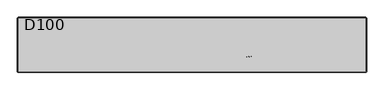
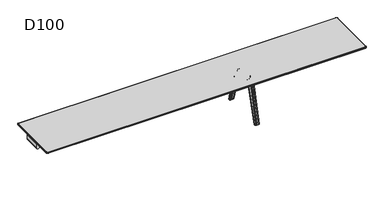
"""IFC4 building model written with IfcOpenShell, lengths in millimetres: furniture geometry, D100."""

from ifc_helpers import new_model, si_unit, point, frame, frame_2d, origin, place, context, project, spatial, polyline, circle_curve, ellipse_curve, trimmed, segment, composite_curve, outline, extrude, source, transform, mapped, element, save
from ifc_brep_helpers import plane_surface, cylinder_surface, revolved_surface, advanced_brep


def d100_4d815a20(model_context):
    return source(origin(), model_context, "Body", "SolidModel", [
        extrude(outline(composite_curve([segment(trimmed(circle_curve(frame_2d((791.0006338, 1040.0)), 15.0), [point((791.0006338, 1025.0))], [point((776.0006338, 1040.0))], False, "CARTESIAN"), True, "CONTINUOUS"), segment(polyline([(776.0006338, 1040.0), (776.0006338, 1055.0)]), True, "CONTINUOUS"), segment(trimmed(circle_curve(frame_2d((791.0006338, 1055.0)), 15.0), [point((776.0006338, 1055.0))], [point((791.0006338, 1070.0))], False, "CARTESIAN"), True, "CONTINUOUS"), segment(polyline([(791.0006338, 1070.0), (880.0006338, 1070.0), (880.0006338, 1025.0), (791.0006338, 1025.0)]), True, "CONTINUOUS")], self_intersect=False)), frame((0.0, -159.2234902, 0.0), z_axis=(0.0, 1.0, 0.0), x_axis=(0.0, 0.0, 1.0)), (0.0, 0.0, 1.0), 318.4469804),
        extrude(outline(composite_curve([segment(polyline([(791.0006338, 1025.0), (880.0006338, 1025.0), (880.0006338, 980.0), (791.0006338, 980.0)]), True, "CONTINUOUS"), segment(trimmed(circle_curve(frame_2d((791.0006338, 995.0)), 15.0), [point((791.0006338, 980.0))], [point((776.0006338, 995.0))], False, "CARTESIAN"), True, "CONTINUOUS"), segment(polyline([(776.0006338, 995.0), (776.0006338, 1010.0)]), True, "CONTINUOUS"), segment(trimmed(circle_curve(frame_2d((791.0006338, 1010.0)), 15.0), [point((776.0006338, 1010.0))], [point((791.0006338, 1025.0))], False, "CARTESIAN"), True, "CONTINUOUS")], self_intersect=False)), frame((0.0, -159.2234902, 0.0), z_axis=(0.0, 1.0, 0.0), x_axis=(0.0, 0.0, 1.0)), (0.0, 0.0, 1.0), 318.4469804),
        extrude(outline(composite_curve([segment(polyline([(791.0006338, 3149.0), (880.0006338, 3149.0), (880.0006338, 3104.0), (791.0006338, 3104.0)]), True, "CONTINUOUS"), segment(trimmed(circle_curve(frame_2d((791.0006338, 3119.0)), 15.0), [point((791.0006338, 3104.0))], [point((776.0006338, 3119.0))], False, "CARTESIAN"), True, "CONTINUOUS"), segment(polyline([(776.0006338, 3119.0), (776.0006338, 3134.0)]), True, "CONTINUOUS"), segment(trimmed(circle_curve(frame_2d((791.0006338, 3134.0)), 15.0), [point((776.0006338, 3134.0))], [point((791.0006338, 3149.0))], False, "CARTESIAN"), True, "CONTINUOUS")], self_intersect=False)), frame((0.0, -159.2234902, 0.0), z_axis=(0.0, 1.0, 0.0), x_axis=(0.0, 0.0, 1.0)), (0.0, 0.0, 1.0), 318.4469804),
        extrude(outline(composite_curve([segment(polyline([(791.0006338, -1025.0), (880.0006338, -1025.0), (880.0006338, -1070.0), (791.0006338, -1070.0)]), True, "CONTINUOUS"), segment(trimmed(circle_curve(frame_2d((791.0006338, -1055.0)), 15.0), [point((791.0006338, -1070.0))], [point((776.0006338, -1055.0))], False, "CARTESIAN"), True, "CONTINUOUS"), segment(polyline([(776.0006338, -1055.0), (776.0006338, -1040.0)]), True, "CONTINUOUS"), segment(trimmed(circle_curve(frame_2d((791.0006338, -1040.0)), 15.0), [point((776.0006338, -1040.0))], [point((791.0006338, -1025.0))], False, "CARTESIAN"), True, "CONTINUOUS")], self_intersect=False)), frame((0.0, -159.2234902, 0.0), z_axis=(0.0, 1.0, 0.0), x_axis=(0.0, 0.0, 1.0)), (0.0, 0.0, 1.0), 318.4469804),
        extrude(outline(composite_curve([segment(trimmed(circle_curve(frame_2d((791.0006338, -1010.0)), 15.0), [point((791.0006338, -1025.0))], [point((776.0006338, -1010.0))], False, "CARTESIAN"), True, "CONTINUOUS"), segment(polyline([(776.0006338, -1010.0), (776.0006338, -995.0)]), True, "CONTINUOUS"), segment(trimmed(circle_curve(frame_2d((791.0006338, -995.0)), 15.0), [point((776.0006338, -995.0))], [point((791.0006338, -980.0))], False, "CARTESIAN"), True, "CONTINUOUS"), segment(polyline([(791.0006338, -980.0), (880.0006338, -980.0), (880.0006338, -1025.0), (791.0006338, -1025.0)]), True, "CONTINUOUS")], self_intersect=False)), frame((0.0, -159.2234902, 0.0), z_axis=(0.0, 1.0, 0.0), x_axis=(0.0, 0.0, 1.0)), (0.0, 0.0, 1.0), 318.4469804),
        extrude(outline(composite_curve([segment(trimmed(circle_curve(frame_2d((791.0006338, -3134.0)), 15.0), [point((791.0006338, -3149.0))], [point((776.0006338, -3134.0))], False, "CARTESIAN"), True, "CONTINUOUS"), segment(polyline([(776.0006338, -3134.0), (776.0006338, -3119.0)]), True, "CONTINUOUS"), segment(trimmed(circle_curve(frame_2d((791.0006338, -3119.0)), 15.0), [point((776.0006338, -3119.0))], [point((791.0006338, -3104.0))], False, "CARTESIAN"), True, "CONTINUOUS"), segment(polyline([(791.0006338, -3104.0), (880.0006338, -3104.0), (880.0006338, -3149.0), (791.0006338, -3149.0)]), True, "CONTINUOUS")], self_intersect=False)), frame((0.0, -159.2234902, 0.0), z_axis=(0.0, 1.0, 0.0), x_axis=(0.0, 0.0, 1.0)), (0.0, 0.0, 1.0), 318.4469804),
        advanced_brep(
        [(-3132.0, 495.0, 912.0006338), (-3145.0, 482.0, 912.0006338), (-3145.0, -482.0, 912.0006338), (-3132.0, -495.0, 912.0006338), (3132.0, -495.0, 912.0006338), (3145.0, -482.0, 912.0006338), (3145.0, 482.0, 912.0006338), (3132.0, 495.0, 912.0006338), (-3145.0, 482.0, 886.0006338), (-3132.0, 495.0, 886.0006338), (3132.0, 495.0, 886.0006338), (3145.0, 482.0, 886.0006338), (3145.0, -482.0, 886.0006338), (3132.0, -495.0, 886.0006338), (-3132.0, -495.0, 886.0006338), (-3145.0, -482.0, 886.0006338), (-3150.0, 482.0, 907.0006396), (-3150.0, 482.0, 891.0006338), (-3150.0, -482.0, 891.0006338), (-3150.0, -482.0, 907.0006338), (-3132.0, -500.0, 891.0006338), (-3132.0, -500.0, 907.0006389), (3132.0, -500.0, 891.0006338), (3132.0, -500.0, 907.0006338), (3150.0, -482.0, 891.0006338), (3150.0, -482.0, 907.0006378), (3150.0, 482.0, 891.0006338), (3150.0, 482.0, 907.0006338), (-3132.0, 500.0, 891.0006338), (-3132.0, 500.0, 907.0006338), (3132.0, 500.0, 891.0006338), (3132.0, 500.0, 907.0006338)],
        [
            (0, 1, circle_curve(frame((-3132.0, 482.0, 912.0006338), z_axis=(0.0, 0.0, 1.0), x_axis=(0.0, 1.0, 0.0)), 13.0)),
            (1, 2),
            (2, 3, circle_curve(frame((-3132.0, -482.0, 912.0006338), z_axis=(0.0, 0.0, 1.0), x_axis=(-1.0, 0.0, 0.0)), 13.0)),
            (3, 4),
            (4, 5, circle_curve(frame((3132.0, -482.0, 912.0006338), z_axis=(0.0, 0.0, 1.0), x_axis=(0.0, -1.0, 0.0)), 13.0)),
            (5, 6),
            (6, 7, circle_curve(frame((3132.0, 482.0, 912.0006338), z_axis=(0.0, 0.0, 1.0), x_axis=(1.0, 0.0, 0.0)), 13.0)),
            (7, 0),
            (8, 9, circle_curve(frame((-3132.0, 482.0, 886.0006338), z_axis=(0.0, 0.0, -1.0), x_axis=(0.0, 1.0, 0.0)), 13.0)),
            (9, 10),
            (10, 11, circle_curve(frame((3132.0, 482.0, 886.0006338), z_axis=(0.0, 0.0, -1.0), x_axis=(1.0, 0.0, 0.0)), 13.0)),
            (11, 12),
            (12, 13, circle_curve(frame((3132.0, -482.0, 886.0006338), z_axis=(0.0, 0.0, -1.0), x_axis=(0.0, -1.0, 0.0)), 13.0)),
            (13, 14),
            (14, 15, circle_curve(frame((-3132.0, -482.0, 886.0006338), z_axis=(0.0, 0.0, -1.0), x_axis=(-1.0, 0.0, 0.0)), 13.0)),
            (15, 8),
            (16, 17),
            (17, 18),
            (18, 19),
            (19, 16),
            (18, 20, circle_curve(frame((-3132.0, -482.0, 891.0006338), z_axis=(0.0, 0.0, 1.0), x_axis=(1.0, 0.0, 0.0)), 18.0)),
            (20, 21),
            (21, 19, circle_curve(frame((-3132.0, -482.0, 907.0006338), z_axis=(0.0, 0.0, -1.0), x_axis=(1.0, 0.0, 0.0)), 18.0)),
            (20, 22),
            (22, 23),
            (23, 21),
            (22, 24, circle_curve(frame((3132.0, -482.0, 891.0006338), z_axis=(0.0, 0.0, 1.0), x_axis=(1.0, 0.0, 0.0)), 18.0)),
            (24, 25),
            (25, 23, circle_curve(frame((3132.0, -482.0, 907.0006338), z_axis=(0.0, 0.0, -1.0), x_axis=(1.0, 0.0, 0.0)), 18.0)),
            (24, 26),
            (26, 27),
            (27, 25),
            (8, 17, circle_curve(frame((-3145.0, 482.0, 891.0006338), z_axis=(0.0, 1.0, 0.0), x_axis=(1.0, 0.0, 0.0)), 5.0)),
            (17, 28, circle_curve(frame((-3132.0, 482.0, 891.0006338), z_axis=(0.0, 0.0, -1.0), x_axis=(0.0, 1.0, 0.0)), 18.0)),
            (28, 9, circle_curve(frame((-3132.0, 495.0, 891.0006338), z_axis=(-1.0, 0.0, 0.0), x_axis=(0.0, -1.0, 0.0)), 5.0)),
            (16, 1, circle_curve(frame((-3145.0, 482.0, 907.0006338), z_axis=(0.0, 1.0, 0.0), x_axis=(1.0, 0.0, 0.0)), 5.0)),
            (0, 29, circle_curve(frame((-3132.0, 495.0, 907.0006338), z_axis=(-1.0, 0.0, 0.0), x_axis=(0.0, -1.0, 0.0)), 5.0)),
            (29, 16, circle_curve(frame((-3132.0, 482.0, 907.0006338), z_axis=(0.0, 0.0, 1.0), x_axis=(0.0, 1.0, 0.0)), 18.0)),
            (15, 18, circle_curve(frame((-3145.0, -482.0, 891.0006338), z_axis=(0.0, 1.0, 0.0), x_axis=(1.0, 0.0, 0.0)), 5.0)),
            (19, 2, circle_curve(frame((-3145.0, -482.0, 907.0006338), z_axis=(0.0, 1.0, 0.0), x_axis=(1.0, 0.0, 0.0)), 5.0)),
            (14, 20, circle_curve(frame((-3132.0, -495.0, 891.0006338), z_axis=(-1.0, 0.0, 0.0), x_axis=(0.0, 1.0, 0.0)), 5.0)),
            (21, 3, circle_curve(frame((-3132.0, -495.0, 907.0006338), z_axis=(-1.0, 0.0, 0.0), x_axis=(0.0, 1.0, 0.0)), 5.0)),
            (13, 22, circle_curve(frame((3132.0, -495.0, 891.0006338), z_axis=(-1.0, 0.0, 0.0), x_axis=(0.0, 1.0, 0.0)), 5.0)),
            (23, 4, circle_curve(frame((3132.0, -495.0, 907.0006338), z_axis=(-1.0, 0.0, 0.0), x_axis=(0.0, 1.0, 0.0)), 5.0)),
            (12, 24, circle_curve(frame((3145.0, -482.0, 891.0006338), z_axis=(0.0, -1.0, 0.0), x_axis=(-1.0, 0.0, 0.0)), 5.0)),
            (25, 5, circle_curve(frame((3145.0, -482.0, 907.0006338), z_axis=(0.0, -1.0, 0.0), x_axis=(-1.0, 0.0, 0.0)), 5.0)),
            (11, 26, circle_curve(frame((3145.0, 482.0, 891.0006338), z_axis=(0.0, -1.0, 0.0), x_axis=(-1.0, 0.0, 0.0)), 5.0)),
            (27, 6, circle_curve(frame((3145.0, 482.0, 907.0006338), z_axis=(0.0, -1.0, 0.0), x_axis=(-1.0, 0.0, 0.0)), 5.0)),
            (10, 30, circle_curve(frame((3132.0, 495.0, 891.0006338), z_axis=(1.0, 0.0, 0.0), x_axis=(0.0, -1.0, 0.0)), 5.0)),
            (30, 26, circle_curve(frame((3132.0, 482.0, 891.0006338), z_axis=(0.0, 0.0, -1.0), x_axis=(1.0, 0.0, 0.0)), 18.0)),
            (27, 31, circle_curve(frame((3132.0, 482.0, 907.0006338), z_axis=(0.0, 0.0, 1.0), x_axis=(1.0, 0.0, 0.0)), 18.0)),
            (31, 7, circle_curve(frame((3132.0, 495.0, 907.0006338), z_axis=(1.0, 0.0, 0.0), x_axis=(0.0, -1.0, 0.0)), 5.0)),
            (28, 30),
            (31, 29),
            (30, 31),
            (28, 29),
        ],
        [
            plane_surface(frame((-3150.0, -482.0, 912.0006338), z_axis=(0.0, 0.0, 1.0), x_axis=(0.0, -1.0, 0.0))),
            plane_surface(frame((-3150.0, -482.0, 886.0006338), z_axis=(0.0, 0.0, -1.0), x_axis=(0.0, 1.0, 0.0))),
            plane_surface(frame((-3150.0, 482.0, 912.0006338), z_axis=(-1.0, 0.0, 0.0), x_axis=(0.0, 0.0, -1.0))),
            cylinder_surface(frame((-3132.0, -482.0, 886.0006338), z_axis=(0.0, 0.0, 1.0), x_axis=(1.0, 0.0, 0.0)), 18.0),
            plane_surface(frame((-3132.0, -500.0, 912.0006338), z_axis=(0.0, -1.0, 0.0), x_axis=(0.0, 0.0, -1.0))),
            cylinder_surface(frame((3132.0, -482.0, 886.0006338), z_axis=(0.0, 0.0, 1.0), x_axis=(1.0, 0.0, 0.0)), 18.0),
            plane_surface(frame((3150.0, -482.0, 912.0006338), z_axis=(1.0, 0.0, 0.0), x_axis=(0.0, 0.0, -1.0))),
            revolved_surface(trimmed(ellipse_curve(frame((-3132.0, 495.0, 891.0006338), z_axis=(1.0, 0.0, 0.0), x_axis=(0.0, -1.0, 0.0)), 5.0, 5.0), [point((-3132.0, 495.0, 886.0006338))], [point((-3132.0, 500.0, 891.0006338))], True, "CARTESIAN"), (-3132.0, 482.0, 0.0006338), (0.0, 0.0, 1.0)),
            revolved_surface(trimmed(ellipse_curve(frame((-3132.0, 495.0, 907.0006338), z_axis=(1.0, 0.0, 0.0), x_axis=(0.0, -1.0, 0.0)), 5.0, 5.0), [point((-3132.0, 500.0, 907.0006338))], [point((-3132.0, 495.0, 912.0006338))], True, "CARTESIAN"), (-3132.0, 482.0, 0.0006338), (0.0, 0.0, 1.0)),
            cylinder_surface(frame((-3145.0, 482.0, 891.0006338), z_axis=(0.0, -1.0, 0.0), x_axis=(1.0, 0.0, 0.0)), 5.0),
            cylinder_surface(frame((-3145.0, 482.0, 907.0006338), z_axis=(0.0, -1.0, 0.0), x_axis=(1.0, 0.0, 0.0)), 5.0),
            revolved_surface(trimmed(ellipse_curve(frame((-3145.0, -482.0, 891.0006338), z_axis=(0.0, 1.0, 0.0), x_axis=(1.0, 0.0, 0.0)), 5.0, 5.0), [point((-3145.0, -482.0, 886.0006338))], [point((-3150.0, -482.0, 891.0006338))], True, "CARTESIAN"), (-3132.0, -482.0, 0.0006338), (0.0, 0.0, 1.0)),
            revolved_surface(trimmed(ellipse_curve(frame((-3145.0, -482.0, 907.0006338), z_axis=(0.0, 1.0, 0.0), x_axis=(1.0, 0.0, 0.0)), 5.0, 5.0), [point((-3150.0, -482.0, 907.0006338))], [point((-3145.0, -482.0, 912.0006338))], True, "CARTESIAN"), (-3132.0, -482.0, 0.0006338), (0.0, 0.0, 1.0)),
            cylinder_surface(frame((-3132.0, -495.0, 891.0006338), z_axis=(1.0, 0.0, 0.0), x_axis=(0.0, 1.0, 0.0)), 5.0),
            cylinder_surface(frame((-3132.0, -495.0, 907.0006338), z_axis=(1.0, 0.0, 0.0), x_axis=(0.0, 1.0, 0.0)), 5.0),
            revolved_surface(trimmed(ellipse_curve(frame((3132.0, -495.0, 891.0006338), z_axis=(-1.0, 0.0, 0.0), x_axis=(0.0, 1.0, 0.0)), 5.0, 5.0), [point((3132.0, -495.0, 886.0006338))], [point((3132.0, -500.0, 891.0006338))], True, "CARTESIAN"), (3132.0, -482.0, 0.0006338), (0.0, 0.0, 1.0)),
            revolved_surface(trimmed(ellipse_curve(frame((3132.0, -495.0, 907.0006338), z_axis=(-1.0, 0.0, 0.0), x_axis=(0.0, 1.0, 0.0)), 5.0, 5.0), [point((3132.0, -500.0, 907.0006338))], [point((3132.0, -495.0, 912.0006338))], True, "CARTESIAN"), (3132.0, -482.0, 0.0006338), (0.0, 0.0, 1.0)),
            cylinder_surface(frame((3145.0, -482.0, 891.0006338), z_axis=(0.0, 1.0, 0.0), x_axis=(-1.0, 0.0, 0.0)), 5.0),
            cylinder_surface(frame((3145.0, -482.0, 907.0006338), z_axis=(0.0, 1.0, 0.0), x_axis=(-1.0, 0.0, 0.0)), 5.0),
            revolved_surface(trimmed(ellipse_curve(frame((3145.0, 482.0, 891.0006338), z_axis=(0.0, -1.0, 0.0), x_axis=(-1.0, 0.0, 0.0)), 5.0, 5.0), [point((3145.0, 482.0, 886.0006338))], [point((3150.0, 482.0, 891.0006338))], True, "CARTESIAN"), (3132.0, 482.0, 0.0006338), (0.0, 0.0, 1.0)),
            revolved_surface(trimmed(ellipse_curve(frame((3145.0, 482.0, 907.0006338), z_axis=(0.0, -1.0, 0.0), x_axis=(-1.0, 0.0, 0.0)), 5.0, 5.0), [point((3150.0, 482.0, 907.0006338))], [point((3145.0, 482.0, 912.0006338))], True, "CARTESIAN"), (3132.0, 482.0, 0.0006338), (0.0, 0.0, 1.0)),
            cylinder_surface(frame((3132.0, 495.0, 891.0006338), z_axis=(-1.0, 0.0, 0.0), x_axis=(0.0, -1.0, 0.0)), 5.0),
            cylinder_surface(frame((3132.0, 495.0, 907.0006338), z_axis=(-1.0, 0.0, 0.0), x_axis=(0.0, -1.0, 0.0)), 5.0),
            cylinder_surface(frame((3132.0, 482.0, 886.0006338), z_axis=(0.0, 0.0, 1.0), x_axis=(1.0, 0.0, 0.0)), 18.0),
            plane_surface(frame((3132.0, 500.0, 912.0006338), z_axis=(0.0, 1.0, 0.0), x_axis=(0.0, 0.0, -1.0))),
            cylinder_surface(frame((-3132.0, 482.0, 886.0006338), z_axis=(0.0, 0.0, 1.0), x_axis=(1.0, 0.0, 0.0)), 18.0),
        ],
        [
            (0, [[1, 2, 3, 4, 5, 6, 7, 8]]),
            (1, [[9, 10, 11, 12, 13, 14, 15, 16]]),
            (2, [[17, 18, 19, 20]]),
            (3, [[-19, 21, 22, 23]]),
            (4, [[-22, 24, 25, 26]]),
            (5, [[-25, 27, 28, 29]]),
            (6, [[-28, 30, 31, 32]]),
            (7, [[33, 34, 35, -9]]),
            (8, [[36, -1, 37, 38]]),
            (9, [[-33, -16, 39, -18]]),
            (10, [[-36, -20, 40, -2]]),
            (11, [[-39, -15, 41, -21]]),
            (12, [[-40, -23, 42, -3]]),
            (13, [[-41, -14, 43, -24]]),
            (14, [[-42, -26, 44, -4]]),
            (15, [[-43, -13, 45, -27]]),
            (16, [[-44, -29, 46, -5]]),
            (17, [[-45, -12, 47, -30]]),
            (18, [[-46, -32, 48, -6]]),
            (19, [[-47, -11, 49, 50]]),
            (20, [[-48, 51, 52, -7]]),
            (21, [[-35, 53, -49, -10]]),
            (22, [[-37, -8, -52, 54]]),
            (23, [[-31, -50, 55, -51]]),
            (24, [[-55, -53, 56, -54]]),
            (25, [[-17, -38, -56, -34]]),
        ],
    ),
        advanced_brep(
        [(980.0, 165.2234902, 880.0006338), (980.0, 211.7278851, 880.0006338), (980.0, 439.8031746, 0.0), (980.0, 429.58813, 0.0), (980.0, 211.1253977, 757.7437132), (980.0, 166.9256926, 791.0006338), (980.0, 165.2234902, 791.0006338), (1025.0, 211.7278851, 880.0006338), (1025.0, 165.2234902, 880.0006338), (1025.0, 165.2234902, 791.0006338), (1025.0, 166.9256926, 791.0006338), (1025.0, 211.1253977, 757.7437132), (1025.0, 429.58813, 0.0), (1025.0, 439.8031746, 0.0), (995.0, 413.9771661, 0.0), (1010.0, 413.9771661, 0.0), (1010.0, 196.7124504, 753.5883612), (995.0, 196.7124504, 753.5883612), (995.0, 455.2987797, 0.0), (1010.0, 455.2987797, 0.0), (995.0, 227.2234902, 880.0006338), (1010.0, 227.2234902, 880.0006338), (995.0, 165.2234902, 776.0006338), (1010.0, 165.2234902, 776.0006338), (995.0, 166.9256926, 776.0006338), (1010.0, 166.9256926, 776.0006338)],
        [
            (0, 1),
            (1, 2),
            (2, 3),
            (3, 4),
            (4, 5, circle_curve(frame((980.0, 166.9256926, 745.0006338), z_axis=(1.0, 0.0, 0.0), x_axis=(0.0, 0.0, 1.0)), 46.0)),
            (5, 6),
            (6, 0),
            (7, 8),
            (8, 9),
            (9, 10),
            (10, 11, circle_curve(frame((1025.0, 166.9256926, 745.0006338), z_axis=(-1.0, 0.0, 0.0), x_axis=(0.0, 0.0, 1.0)), 46.0)),
            (11, 12),
            (12, 13),
            (13, 7),
            (14, 15),
            (15, 16),
            (16, 17),
            (17, 14),
            (18, 19),
            (19, 13, ellipse_curve(frame((1010.0, 439.8031746, 0.0), z_axis=(0.0, 0.0, -1.0), x_axis=(0.0, -1.0, 0.0)), 15.4956051, 15.0)),
            (12, 15, ellipse_curve(frame((1010.0, 429.58813, 0.0), z_axis=(0.0, 0.0, -1.0), x_axis=(0.0, 1.0, 0.0)), 15.6109639, 15.0)),
            (14, 3, ellipse_curve(frame((995.0, 429.58813, 0.0), z_axis=(0.0, 0.0, -1.0), x_axis=(0.0, 1.0, 0.0)), 15.6109639, 15.0)),
            (2, 18, ellipse_curve(frame((995.0, 439.8031746, 0.0), z_axis=(0.0, 0.0, -1.0), x_axis=(0.0, -1.0, 0.0)), 15.4956051, 15.0)),
            (18, 20),
            (20, 21),
            (21, 19),
            (0, 8),
            (7, 21, ellipse_curve(frame((1010.0, 211.7278851, 880.0006338), z_axis=(0.0, 0.0, 1.0), x_axis=(0.0, -1.0, 0.0)), 15.4956051, 15.0)),
            (20, 1, ellipse_curve(frame((995.0, 211.7278851, 880.0006338), z_axis=(0.0, 0.0, 1.0), x_axis=(0.0, -1.0, 0.0)), 15.4956051, 15.0)),
            (6, 22, circle_curve(frame((995.0, 165.2234902, 791.0006338), z_axis=(0.0, -1.0, 0.0), x_axis=(0.0, 0.0, -1.0)), 15.0)),
            (22, 23),
            (23, 9, circle_curve(frame((1010.0, 165.2234902, 791.0006338), z_axis=(0.0, -1.0, 0.0), x_axis=(0.0, 0.0, -1.0)), 15.0)),
            (22, 24),
            (24, 25),
            (25, 23),
            (24, 17, circle_curve(frame((995.0, 166.9256926, 745.0006338), z_axis=(-1.0, 0.0, 0.0), x_axis=(0.0, -1.0, 0.0)), 31.0)),
            (16, 25, circle_curve(frame((1010.0, 166.9256926, 745.0006338), z_axis=(1.0, 0.0, 0.0), x_axis=(0.0, -1.0, 0.0)), 31.0)),
            (25, 10, circle_curve(frame((1010.0, 166.9256926, 791.0006338), z_axis=(0.0, -1.0, 0.0), x_axis=(0.0, 0.0, -1.0)), 15.0)),
            (5, 24, circle_curve(frame((995.0, 166.9256926, 791.0006338), z_axis=(0.0, -1.0, 0.0), x_axis=(0.0, 0.0, -1.0)), 15.0)),
            (11, 16, circle_curve(frame((1010.0, 211.1253977, 757.7437132), z_axis=(0.0, 0.277023466136888, -0.9608631532166818), x_axis=(0.0, -0.9608631532166818, -0.277023466136888)), 15.0)),
            (17, 4, circle_curve(frame((995.0, 211.1253977, 757.7437132), z_axis=(0.0, 0.277023466136888, -0.9608631532166818), x_axis=(0.0, -0.9608631532166818, -0.277023466136888)), 15.0)),
        ],
        [
            plane_surface(frame((980.0, 135.9256926, 745.0006338), z_axis=(-1.0, 0.0, 0.0), x_axis=(0.0, 0.0, -1.0))),
            plane_surface(frame((1025.0, 135.9256926, 745.0006338), z_axis=(1.0, 0.0, 0.0), x_axis=(0.0, 0.0, 1.0))),
            plane_surface(frame((980.0, 413.9771661, 0.0), z_axis=(0.0, -0.9608631532166828, -0.2770234661368848), x_axis=(1.0, 0.0, 0.0))),
            plane_surface(frame((980.0, 455.2987797, 0.0), z_axis=(0.0, 0.0, -1.0), x_axis=(1.0, 0.0, 0.0))),
            plane_surface(frame((980.0, 227.2234902, 880.0006338), z_axis=(0.0, 0.9680164090089575, 0.25088689062883046), x_axis=(1.0, 0.0, 0.0))),
            plane_surface(frame((980.0, 165.2234902, 880.0006338), z_axis=(0.0, 0.0, 1.0), x_axis=(1.0, 0.0, 0.0))),
            plane_surface(frame((980.0, 165.2234902, 776.0006338), z_axis=(0.0, -1.0, 0.0), x_axis=(1.0, 0.0, 0.0))),
            plane_surface(frame((980.0, 166.9256926, 776.0006338), z_axis=(0.0, 0.0, -1.0), x_axis=(1.0, 0.0, 0.0))),
            revolved_surface(polyline([(1010.0, 135.9256926, 745.0006338), (995.0, 135.9256926, 745.0006338)]), (1025.0, 166.9256926, 745.0006338), (1.0, 0.0, 0.0)),
            cylinder_surface(frame((1010.0, 457.7527706, -69.2563225), z_axis=(0.0, -0.25088689062883374, 0.9680164090089567), x_axis=(0.0, 0.9680164090089567, 0.25088689062883374)), 15.0),
            cylinder_surface(frame((995.0, 457.7527706, -69.2563225), z_axis=(0.0, -0.25088689062883374, 0.9680164090089567), x_axis=(0.0, 0.9680164090089567, 0.25088689062883374)), 15.0),
            cylinder_surface(frame((1010.0, -166.9256926, 791.0006338), z_axis=(0.0, 1.0, 0.0), x_axis=(0.0, 0.0, -1.0)), 15.0),
            cylinder_surface(frame((995.0, -166.9256926, 791.0006338), z_axis=(0.0, 1.0, 0.0), x_axis=(0.0, 0.0, -1.0)), 15.0),
            cylinder_surface(frame((1010.0, 211.1253977, 757.7437132), z_axis=(0.0, 0.277023466136888, -0.9608631532166818), x_axis=(0.0, -0.9608631532166818, -0.277023466136888)), 15.0),
            cylinder_surface(frame((995.0, 211.1253977, 757.7437132), z_axis=(0.0, 0.277023466136888, -0.9608631532166818), x_axis=(0.0, -0.9608631532166818, -0.277023466136888)), 15.0),
            revolved_surface(trimmed(ellipse_curve(frame((1010.0, 166.9256926, 791.0006338), z_axis=(0.0, -1.0, 0.0), x_axis=(0.0, 0.0, -1.0)), 15.0, 15.0), [point((1010.0, 166.9256926, 776.0006338))], [point((1025.0, 166.9256926, 791.0006338))], True, "CARTESIAN"), (243.0, 166.9256926, 745.0006338), (-1.0, 0.0, 0.0)),
            revolved_surface(trimmed(ellipse_curve(frame((995.0, 166.9256926, 791.0006338), z_axis=(0.0, -1.0, 0.0), x_axis=(0.0, 0.0, -1.0)), 15.0, 15.0), [point((980.0, 166.9256926, 791.0006338))], [point((995.0, 166.9256926, 776.0006338))], True, "CARTESIAN"), (243.0, 166.9256926, 745.0006338), (-1.0, 0.0, 0.0)),
        ],
        [
            (0, [[1, 2, 3, 4, 5, 6, 7]]),
            (1, [[8, 9, 10, 11, 12, 13, 14]]),
            (2, [[15, 16, 17, 18]]),
            (3, [[19, 20, -13, 21, -15, 22, -3, 23]]),
            (4, [[-19, 24, 25, 26]]),
            (5, [[27, -8, 28, -25, 29, -1]]),
            (6, [[-27, -7, 30, 31, 32, -9]]),
            (7, [[-31, 33, 34, 35]]),
            (8, [[-34, 36, -17, 37]]),
            (9, [[-14, -20, -26, -28]]),
            (10, [[-2, -29, -24, -23]]),
            (11, [[38, -10, -32, -35]]),
            (12, [[39, -33, -30, -6]]),
            (13, [[40, -16, -21, -12]]),
            (14, [[41, -4, -22, -18]]),
            (15, [[-38, -37, -40, -11]]),
            (16, [[-39, -5, -41, -36]]),
        ],
    ),
        advanced_brep(
        [(1070.0, 211.7278851, 880.0006338), (1070.0, 165.2234902, 880.0006338), (1070.0, 165.2234902, 791.0006338), (1070.0, 166.9256926, 791.0006338), (1070.0, 211.1253977, 757.7437132), (1070.0, 429.58813, 0.0), (1070.0, 439.8031746, 0.0), (1025.0, 165.2234902, 880.0006338), (1025.0, 211.7278851, 880.0006338), (1025.0, 439.8031746, 0.0), (1025.0, 429.58813, 0.0), (1025.0, 211.1253977, 757.7437132), (1025.0, 166.9256926, 791.0006338), (1025.0, 165.2234902, 791.0006338), (1055.0, 196.7124504, 753.5883612), (1040.0, 196.7124504, 753.5883612), (1040.0, 413.9771661, 0.0), (1055.0, 413.9771661, 0.0), (1040.0, 455.2987797, 0.0), (1055.0, 455.2987797, 0.0), (1040.0, 227.2234902, 880.0006338), (1055.0, 227.2234902, 880.0006338), (1040.0, 165.2234902, 776.0006338), (1055.0, 165.2234902, 776.0006338), (1040.0, 166.9256926, 776.0006338), (1055.0, 166.9256926, 776.0006338)],
        [
            (0, 1),
            (1, 2),
            (2, 3),
            (3, 4, circle_curve(frame((1070.0, 166.9256926, 745.0006338), z_axis=(-1.0, 0.0, 0.0), x_axis=(0.0, 0.0, 1.0)), 46.0)),
            (4, 5),
            (5, 6),
            (6, 0),
            (7, 8),
            (8, 9),
            (9, 10),
            (10, 11),
            (11, 12, circle_curve(frame((1025.0, 166.9256926, 745.0006338), z_axis=(1.0, 0.0, 0.0), x_axis=(0.0, 0.0, 1.0)), 46.0)),
            (12, 13),
            (13, 7),
            (14, 15),
            (15, 16),
            (16, 17),
            (17, 14),
            (18, 19),
            (19, 6, ellipse_curve(frame((1055.0, 439.8031746, 0.0), z_axis=(0.0, 0.0, -1.0), x_axis=(0.0, -1.0, 0.0)), 15.4956051, 15.0)),
            (5, 17, ellipse_curve(frame((1055.0, 429.58813, 0.0), z_axis=(0.0, 0.0, -1.0), x_axis=(0.0, 1.0, 0.0)), 15.6109639, 15.0)),
            (16, 10, ellipse_curve(frame((1040.0, 429.58813, 0.0), z_axis=(0.0, 0.0, -1.0), x_axis=(0.0, 1.0, 0.0)), 15.6109639, 15.0)),
            (9, 18, ellipse_curve(frame((1040.0, 439.8031746, 0.0), z_axis=(0.0, 0.0, -1.0), x_axis=(0.0, -1.0, 0.0)), 15.4956051, 15.0)),
            (18, 20),
            (20, 21),
            (21, 19),
            (7, 1),
            (0, 21, ellipse_curve(frame((1055.0, 211.7278851, 880.0006338), z_axis=(0.0, 0.0, 1.0), x_axis=(0.0, -1.0, 0.0)), 15.4956051, 15.0)),
            (20, 8, ellipse_curve(frame((1040.0, 211.7278851, 880.0006338), z_axis=(0.0, 0.0, 1.0), x_axis=(0.0, -1.0, 0.0)), 15.4956051, 15.0)),
            (13, 22, circle_curve(frame((1040.0, 165.2234902, 791.0006338), z_axis=(0.0, -1.0, 0.0), x_axis=(0.0, 0.0, 1.0)), 15.0)),
            (22, 23),
            (23, 2, circle_curve(frame((1055.0, 165.2234902, 791.0006338), z_axis=(0.0, -1.0, 0.0), x_axis=(0.0, 0.0, 1.0)), 15.0)),
            (22, 24),
            (24, 25),
            (25, 23),
            (14, 25, circle_curve(frame((1055.0, 166.9256926, 745.0006338), z_axis=(1.0, 0.0, 0.0), x_axis=(0.0, -1.0, 0.0)), 31.0)),
            (24, 15, circle_curve(frame((1040.0, 166.9256926, 745.0006338), z_axis=(-1.0, 0.0, 0.0), x_axis=(0.0, -1.0, 0.0)), 31.0)),
            (12, 24, circle_curve(frame((1040.0, 166.9256926, 791.0006338), z_axis=(0.0, -1.0, 0.0), x_axis=(0.0, 0.0, 1.0)), 15.0)),
            (25, 3, circle_curve(frame((1055.0, 166.9256926, 791.0006338), z_axis=(0.0, -1.0, 0.0), x_axis=(0.0, 0.0, 1.0)), 15.0)),
            (15, 11, circle_curve(frame((1040.0, 211.1253977, 757.7437132), z_axis=(0.0, 0.277023466136888, -0.9608631532166818), x_axis=(0.0, 0.9608631532166818, 0.277023466136888)), 15.0)),
            (4, 14, circle_curve(frame((1055.0, 211.1253977, 757.7437132), z_axis=(0.0, 0.277023466136888, -0.9608631532166818), x_axis=(0.0, 0.9608631532166818, 0.277023466136888)), 15.0)),
        ],
        [
            plane_surface(frame((1070.0, 413.4231192, 1.9217263), z_axis=(1.0000000000000002, 0.0, 0.0), x_axis=(0.0, 0.2770234661368848, -0.9608631532166828))),
            plane_surface(frame((1025.0, 413.4231192, 1.9217263), z_axis=(-1.0000000000000002, 0.0, 0.0), x_axis=(0.0, -0.2770234661368848, 0.9608631532166828))),
            plane_surface(frame((1070.0, 196.7124504, 753.5883612), z_axis=(0.0, -0.9608631532166828, -0.2770234661368848), x_axis=(-1.0, 0.0, 0.0))),
            plane_surface(frame((1070.0, 413.9771661, 0.0), z_axis=(0.0, 0.0, -1.0), x_axis=(-1.0, 0.0, 0.0))),
            plane_surface(frame((1070.0, 455.2987797, 0.0), z_axis=(0.0, 0.9680164090089575, 0.25088689062883046), x_axis=(-1.0, 0.0, 0.0))),
            plane_surface(frame((1070.0, 227.2234902, 880.0006338), z_axis=(0.0, 0.0, 1.0), x_axis=(-1.0, 0.0, 0.0))),
            plane_surface(frame((1070.0, 165.2234902, 880.0006338), z_axis=(0.0, -1.0, 0.0), x_axis=(-1.0, 0.0, 0.0))),
            plane_surface(frame((1070.0, 165.2234902, 776.0006338), z_axis=(0.0, 0.0, -1.0), x_axis=(-1.0, 0.0, 0.0))),
            revolved_surface(polyline([(1040.0, 135.9256926, 745.0006338), (1055.0, 135.9256926, 745.0006338)]), (1025.0, 166.9256926, 745.0006338), (-1.0, 0.0, 0.0)),
            cylinder_surface(frame((1040.0, 457.7527706, -69.2563225), z_axis=(0.0, -0.25088689062883374, 0.9680164090089567), x_axis=(0.0, -0.9680164090089567, -0.25088689062883374)), 15.0),
            cylinder_surface(frame((1055.0, 457.7527706, -69.2563225), z_axis=(0.0, -0.25088689062883374, 0.9680164090089567), x_axis=(0.0, -0.9680164090089567, -0.25088689062883374)), 15.0),
            cylinder_surface(frame((1040.0, -166.9256926, 791.0006338), z_axis=(0.0, 1.0, 0.0), x_axis=(0.0, 0.0, 1.0)), 15.0),
            cylinder_surface(frame((1055.0, -166.9256926, 791.0006338), z_axis=(0.0, 1.0, 0.0), x_axis=(0.0, 0.0, 1.0)), 15.0),
            cylinder_surface(frame((1040.0, 211.1253977, 757.7437132), z_axis=(0.0, 0.277023466136888, -0.9608631532166818), x_axis=(0.0, 0.9608631532166818, 0.277023466136888)), 15.0),
            cylinder_surface(frame((1055.0, 211.1253977, 757.7437132), z_axis=(0.0, 0.277023466136888, -0.9608631532166818), x_axis=(0.0, 0.9608631532166818, 0.277023466136888)), 15.0),
            revolved_surface(trimmed(ellipse_curve(frame((1040.0, 166.9256926, 791.0006338), z_axis=(0.0, -1.0, 0.0), x_axis=(0.0, 0.0, 1.0)), 15.0, 15.0), [point((1025.0, 166.9256926, 791.0006338))], [point((1040.0, 166.9256926, 776.0006338))], True, "CARTESIAN"), (1807.0, 166.9256926, 745.0006338), (-1.0, 0.0, 0.0)),
            revolved_surface(trimmed(ellipse_curve(frame((1055.0, 166.9256926, 791.0006338), z_axis=(0.0, -1.0, 0.0), x_axis=(0.0, 0.0, 1.0)), 15.0, 15.0), [point((1055.0, 166.9256926, 776.0006338))], [point((1070.0, 166.9256926, 791.0006338))], True, "CARTESIAN"), (1807.0, 166.9256926, 745.0006338), (-1.0, 0.0, 0.0)),
        ],
        [
            (0, [[1, 2, 3, 4, 5, 6, 7]]),
            (1, [[8, 9, 10, 11, 12, 13, 14]]),
            (2, [[15, 16, 17, 18]]),
            (3, [[19, 20, -6, 21, -17, 22, -10, 23]]),
            (4, [[-19, 24, 25, 26]]),
            (5, [[27, -1, 28, -25, 29, -8]]),
            (6, [[-27, -14, 30, 31, 32, -2]]),
            (7, [[-31, 33, 34, 35]]),
            (8, [[-15, 36, -34, 37]]),
            (9, [[-9, -29, -24, -23]]),
            (10, [[-7, -20, -26, -28]]),
            (11, [[38, -33, -30, -13]]),
            (12, [[39, -3, -32, -35]]),
            (13, [[40, -11, -22, -16]]),
            (14, [[41, -18, -21, -5]]),
            (15, [[-38, -12, -40, -37]]),
            (16, [[-39, -36, -41, -4]]),
        ],
    ),
        advanced_brep(
        [(1025.0, -211.7278851, 880.0006338), (1025.0, -439.8031746, 0.0), (1040.0, -455.2987797, 0.0), (1040.0, -227.2234902, 880.0006338), (1070.0, -439.8031746, 0.0), (1070.0, -211.7278851, 880.0006338), (1055.0, -227.2234902, 880.0006338), (1055.0, -455.2987797, 0.0), (1070.0, -165.2234902, 880.0006338), (1070.0, -429.58813, 0.0), (1070.0, -211.1253977, 757.7437132), (1070.0, -166.9256926, 791.0006338), (1070.0, -165.2234902, 791.0006338), (1025.0, -165.2234902, 880.0006338), (1025.0, -165.2234902, 791.0006338), (1025.0, -166.9256926, 791.0006338), (1025.0, -211.1253977, 757.7437132), (1025.0, -429.58813, 0.0), (1055.0, -413.9771661, 0.0), (1040.0, -413.9771661, 0.0), (1040.0, -196.7124504, 753.5883612), (1055.0, -196.7124504, 753.5883612), (1055.0, -165.2234902, 776.0006338), (1040.0, -165.2234902, 776.0006338), (1055.0, -166.9256926, 776.0006338), (1040.0, -166.9256926, 776.0006338)],
        [
            (0, 1),
            (1, 2, ellipse_curve(frame((1040.0, -439.8031746, 0.0), z_axis=(0.0, 0.0, 1.0), x_axis=(0.0, 1.0, 0.0)), 15.4956051, 15.0)),
            (2, 3),
            (3, 0, ellipse_curve(frame((1040.0, -211.7278851, 880.0006338), z_axis=(0.0, 0.0, -1.0), x_axis=(0.0, 1.0, 0.0)), 15.4956051, 15.0)),
            (4, 5),
            (5, 6, ellipse_curve(frame((1055.0, -211.7278851, 880.0006338), z_axis=(0.0, 0.0, -1.0), x_axis=(0.0, 1.0, 0.0)), 15.4956051, 15.0)),
            (6, 7),
            (7, 4, ellipse_curve(frame((1055.0, -439.8031746, 0.0), z_axis=(0.0, 0.0, 1.0), x_axis=(0.0, 1.0, 0.0)), 15.4956051, 15.0)),
            (8, 5),
            (4, 9),
            (9, 10),
            (10, 11, circle_curve(frame((1070.0, -166.9256926, 745.0006338), z_axis=(-1.0, 0.0, 0.0), x_axis=(0.0, -0.9608631532166849, 0.2770234661368772)), 46.0)),
            (11, 12),
            (12, 8),
            (0, 13),
            (13, 14),
            (14, 15),
            (15, 16, circle_curve(frame((1025.0, -166.9256926, 745.0006338), z_axis=(1.0, 0.0, 0.0), x_axis=(0.0, -0.9608631532166849, 0.2770234661368772)), 46.0)),
            (16, 17),
            (17, 1),
            (18, 19),
            (19, 20),
            (20, 21),
            (21, 18),
            (7, 2),
            (17, 19, ellipse_curve(frame((1040.0, -429.58813, 0.0), z_axis=(0.0, 0.0, -1.0), x_axis=(0.0, 1.0, 0.0)), 15.6109639, 15.0)),
            (18, 9, ellipse_curve(frame((1055.0, -429.58813, 0.0), z_axis=(0.0, 0.0, -1.0), x_axis=(0.0, 1.0, 0.0)), 15.6109639, 15.0)),
            (6, 3),
            (8, 13),
            (12, 22, circle_curve(frame((1055.0, -165.2234902, 791.0006338), z_axis=(0.0, 1.0, 0.0), x_axis=(0.0, 0.0, 1.0)), 15.0)),
            (22, 23),
            (23, 14, circle_curve(frame((1040.0, -165.2234902, 791.0006338), z_axis=(0.0, 1.0, 0.0), x_axis=(0.0, 0.0, 1.0)), 15.0)),
            (22, 24),
            (24, 25),
            (25, 23),
            (24, 21, circle_curve(frame((1055.0, -166.9256926, 745.0006338), z_axis=(1.0, 0.0, 0.0), x_axis=(0.0, 1.0, 0.0)), 31.0)),
            (20, 25, circle_curve(frame((1040.0, -166.9256926, 745.0006338), z_axis=(-1.0, 0.0, 0.0), x_axis=(0.0, 1.0, 0.0)), 31.0)),
            (16, 20, circle_curve(frame((1040.0, -211.1253977, 757.7437132), z_axis=(0.0, -0.2770234661368847, -0.9608631532166827), x_axis=(0.0, -0.9608631532166827, 0.2770234661368847)), 15.0)),
            (21, 10, circle_curve(frame((1055.0, -211.1253977, 757.7437132), z_axis=(0.0, -0.2770234661368847, -0.9608631532166827), x_axis=(0.0, -0.9608631532166827, 0.2770234661368847)), 15.0)),
            (25, 15, circle_curve(frame((1040.0, -166.9256926, 791.0006338), z_axis=(0.0, 1.0, 0.0), x_axis=(0.0, 0.0, 1.0)), 15.0)),
            (11, 24, circle_curve(frame((1055.0, -166.9256926, 791.0006338), z_axis=(0.0, 1.0, 0.0), x_axis=(0.0, 0.0, 1.0)), 15.0)),
        ],
        [
            cylinder_surface(frame((1040.0, -457.7527706, -69.2563225), z_axis=(0.0, 0.25088689062883374, 0.9680164090089567), x_axis=(0.0, -0.9680164090089567, 0.25088689062883374)), 15.0),
            cylinder_surface(frame((1055.0, -457.7527706, -69.2563225), z_axis=(0.0, 0.25088689062883374, 0.9680164090089567), x_axis=(0.0, -0.9680164090089567, 0.25088689062883374)), 15.0),
            plane_surface(frame((1070.0, -135.9256926, 745.0006338), z_axis=(1.0, 0.0, 0.0), x_axis=(0.0, 0.0, -1.0))),
            plane_surface(frame((1025.0, -135.9256926, 745.0006338), z_axis=(-1.0, 0.0, 0.0), x_axis=(0.0, 0.0, 1.0))),
            plane_surface(frame((1070.0, -413.9771661, 0.0), z_axis=(0.0, 0.9608631532166828, -0.2770234661368848), x_axis=(-1.0, 0.0, 0.0))),
            plane_surface(frame((1070.0, -455.2987797, 0.0), z_axis=(0.0, 0.0, -1.0), x_axis=(-1.0, 0.0, 0.0))),
            plane_surface(frame((1070.0, -227.2234902, 880.0006338), z_axis=(0.0, -0.9680164090089575, 0.25088689062883046), x_axis=(-1.0, 0.0, 0.0))),
            plane_surface(frame((1070.0, -165.2234902, 880.0006338), z_axis=(0.0, 0.0, 1.0), x_axis=(-1.0, 0.0, 0.0))),
            plane_surface(frame((1070.0, -165.2234902, 776.0006338), z_axis=(0.0, 1.0, 0.0), x_axis=(-1.0, 0.0, 0.0))),
            plane_surface(frame((1070.0, -166.9256926, 776.0006338), z_axis=(0.0, 0.0, -1.0), x_axis=(-1.0, 0.0, 0.0))),
            revolved_surface(polyline([(1040.0, -135.9256926, 745.0006338), (1055.0, -135.9256926, 745.0006338)]), (1025.0, -166.9256926, 745.0006338), (-1.0, 0.0, 0.0)),
            cylinder_surface(frame((1040.0, -448.1062889, -64.2307193), z_axis=(0.0, 0.2770234661368847, 0.9608631532166827), x_axis=(0.0, -0.9608631532166827, 0.2770234661368847)), 15.0),
            cylinder_surface(frame((1055.0, -448.1062889, -64.2307193), z_axis=(0.0, 0.2770234661368847, 0.9608631532166827), x_axis=(0.0, -0.9608631532166827, 0.2770234661368847)), 15.0),
            cylinder_surface(frame((1040.0, -166.9256926, 791.0006338), z_axis=(0.0, 1.0, 0.0), x_axis=(0.0, 0.0, 1.0)), 15.0),
            cylinder_surface(frame((1055.0, -166.9256926, 791.0006338), z_axis=(0.0, 1.0, 0.0), x_axis=(0.0, 0.0, 1.0)), 15.0),
            revolved_surface(trimmed(ellipse_curve(frame((1040.0, -211.1253977, 757.7437132), z_axis=(0.0, -0.27702346613687723, -0.9608631532166849), x_axis=(0.0, -0.9608631532166849, 0.27702346613687723)), 15.0, 15.0), [point((1025.0, -211.1253977, 757.7437132))], [point((1040.0, -196.7124504, 753.5883612))], True, "CARTESIAN"), (1807.0, -166.9256926, 745.0006338), (-1.0, 0.0, 0.0)),
            revolved_surface(trimmed(ellipse_curve(frame((1055.0, -211.1253977, 757.7437132), z_axis=(0.0, -0.27702346613687723, -0.9608631532166849), x_axis=(0.0, -0.9608631532166849, 0.27702346613687723)), 15.0, 15.0), [point((1055.0, -196.7124504, 753.5883612))], [point((1070.0, -211.1253977, 757.7437132))], True, "CARTESIAN"), (1807.0, -166.9256926, 745.0006338), (-1.0, 0.0, 0.0)),
        ],
        [
            (0, [[1, 2, 3, 4]]),
            (1, [[5, 6, 7, 8]]),
            (2, [[9, -5, 10, 11, 12, 13, 14]]),
            (3, [[15, 16, 17, 18, 19, 20, -1]]),
            (4, [[21, 22, 23, 24]]),
            (5, [[25, -2, -20, 26, -21, 27, -10, -8]]),
            (6, [[-25, -7, 28, -3]]),
            (7, [[29, -15, -4, -28, -6, -9]]),
            (8, [[-29, -14, 30, 31, 32, -16]]),
            (9, [[-31, 33, 34, 35]]),
            (10, [[-34, 36, -23, 37]]),
            (11, [[38, -22, -26, -19]]),
            (12, [[39, -11, -27, -24]]),
            (13, [[40, -17, -32, -35]]),
            (14, [[41, -33, -30, -13]]),
            (15, [[-38, -18, -40, -37]]),
            (16, [[-39, -36, -41, -12]]),
        ],
    ),
        advanced_brep(
        [(1025.0, -439.8031746, 0.0), (1025.0, -211.7278851, 880.0006338), (1010.0, -227.2234902, 880.0006338), (1010.0, -455.2987797, 0.0), (980.0, -211.7278851, 880.0006338), (980.0, -439.8031746, 0.0), (995.0, -455.2987797, 0.0), (995.0, -227.2234902, 880.0006338), (980.0, -165.2234902, 880.0006338), (980.0, -165.2234902, 791.0006338), (980.0, -166.9256926, 791.0006338), (980.0, -211.1253977, 757.7437132), (980.0, -429.58813, 0.0), (1025.0, -165.2234902, 880.0006338), (1025.0, -429.58813, 0.0), (1025.0, -211.1253977, 757.7437132), (1025.0, -166.9256926, 791.0006338), (1025.0, -165.2234902, 791.0006338), (995.0, -196.7124504, 753.5883612), (1010.0, -196.7124504, 753.5883612), (1010.0, -413.9771661, 0.0), (995.0, -413.9771661, 0.0), (1010.0, -165.2234902, 776.0006338), (995.0, -165.2234902, 776.0006338), (1010.0, -166.9256926, 776.0006338), (995.0, -166.9256926, 776.0006338)],
        [
            (0, 1),
            (1, 2, ellipse_curve(frame((1010.0, -211.7278851, 880.0006338), z_axis=(0.0, 0.0, -1.0), x_axis=(0.0, 1.0, 0.0)), 15.4956051, 15.0)),
            (2, 3),
            (3, 0, ellipse_curve(frame((1010.0, -439.8031746, 0.0), z_axis=(0.0, 0.0, 1.0), x_axis=(0.0, 1.0, 0.0)), 15.4956051, 15.0)),
            (4, 5),
            (5, 6, ellipse_curve(frame((995.0, -439.8031746, 0.0), z_axis=(0.0, 0.0, 1.0), x_axis=(0.0, 1.0, 0.0)), 15.4956051, 15.0)),
            (6, 7),
            (7, 4, ellipse_curve(frame((995.0, -211.7278851, 880.0006338), z_axis=(0.0, 0.0, -1.0), x_axis=(0.0, 1.0, 0.0)), 15.4956051, 15.0)),
            (4, 8),
            (8, 9),
            (9, 10),
            (10, 11, circle_curve(frame((980.0, -166.9256926, 745.0006338), z_axis=(1.0, 0.0, 0.0), x_axis=(0.0, -0.9608631532166849, 0.2770234661368772)), 46.0)),
            (11, 12),
            (12, 5),
            (13, 1),
            (0, 14),
            (14, 15),
            (15, 16, circle_curve(frame((1025.0, -166.9256926, 745.0006338), z_axis=(-1.0, 0.0, 0.0), x_axis=(0.0, -0.9608631532166849, 0.2770234661368772)), 46.0)),
            (16, 17),
            (17, 13),
            (18, 19),
            (19, 20),
            (20, 21),
            (21, 18),
            (3, 6),
            (12, 21, ellipse_curve(frame((995.0, -429.58813, 0.0), z_axis=(0.0, 0.0, -1.0), x_axis=(0.0, 1.0, 0.0)), 15.6109639, 15.0)),
            (20, 14, ellipse_curve(frame((1010.0, -429.58813, 0.0), z_axis=(0.0, 0.0, -1.0), x_axis=(0.0, 1.0, 0.0)), 15.6109639, 15.0)),
            (2, 7),
            (13, 8),
            (17, 22, circle_curve(frame((1010.0, -165.2234902, 791.0006338), z_axis=(0.0, 1.0, 0.0), x_axis=(0.0, 0.0, -1.0)), 15.0)),
            (22, 23),
            (23, 9, circle_curve(frame((995.0, -165.2234902, 791.0006338), z_axis=(0.0, 1.0, 0.0), x_axis=(0.0, 0.0, -1.0)), 15.0)),
            (22, 24),
            (24, 25),
            (25, 23),
            (18, 25, circle_curve(frame((995.0, -166.9256926, 745.0006338), z_axis=(-1.0, 0.0, 0.0), x_axis=(0.0, 1.0, 0.0)), 31.0)),
            (24, 19, circle_curve(frame((1010.0, -166.9256926, 745.0006338), z_axis=(1.0, 0.0, 0.0), x_axis=(0.0, 1.0, 0.0)), 31.0)),
            (19, 15, circle_curve(frame((1010.0, -211.1253977, 757.7437132), z_axis=(0.0, -0.2770234661368847, -0.9608631532166827), x_axis=(0.0, 0.9608631532166827, -0.2770234661368847)), 15.0)),
            (11, 18, circle_curve(frame((995.0, -211.1253977, 757.7437132), z_axis=(0.0, -0.2770234661368847, -0.9608631532166827), x_axis=(0.0, 0.9608631532166827, -0.2770234661368847)), 15.0)),
            (16, 24, circle_curve(frame((1010.0, -166.9256926, 791.0006338), z_axis=(0.0, 1.0, 0.0), x_axis=(0.0, 0.0, -1.0)), 15.0)),
            (25, 10, circle_curve(frame((995.0, -166.9256926, 791.0006338), z_axis=(0.0, 1.0, 0.0), x_axis=(0.0, 0.0, -1.0)), 15.0)),
        ],
        [
            cylinder_surface(frame((1010.0, -457.7527706, -69.2563225), z_axis=(0.0, 0.25088689062883374, 0.9680164090089567), x_axis=(0.0, 0.9680164090089567, -0.25088689062883374)), 15.0),
            cylinder_surface(frame((995.0, -457.7527706, -69.2563225), z_axis=(0.0, 0.25088689062883374, 0.9680164090089567), x_axis=(0.0, 0.9680164090089567, -0.25088689062883374)), 15.0),
            plane_surface(frame((980.0, -413.4231192, 1.9217263), z_axis=(-1.0000000000000002, 0.0, 0.0), x_axis=(0.0, -0.2770234661368848, -0.9608631532166828))),
            plane_surface(frame((1025.0, -413.4231192, 1.9217263), z_axis=(1.0000000000000002, 0.0, 0.0), x_axis=(0.0, 0.2770234661368848, 0.9608631532166828))),
            plane_surface(frame((980.0, -196.7124504, 753.5883612), z_axis=(0.0, 0.9608631532166828, -0.2770234661368848), x_axis=(1.0, 0.0, 0.0))),
            plane_surface(frame((980.0, -413.9771661, 0.0), z_axis=(0.0, 0.0, -1.0), x_axis=(1.0, 0.0, 0.0))),
            plane_surface(frame((980.0, -455.2987797, 0.0), z_axis=(0.0, -0.9680164090089575, 0.25088689062883046), x_axis=(1.0, 0.0, 0.0))),
            plane_surface(frame((980.0, -227.2234902, 880.0006338), z_axis=(0.0, 0.0, 1.0), x_axis=(1.0, 0.0, 0.0))),
            plane_surface(frame((980.0, -165.2234902, 880.0006338), z_axis=(0.0, 1.0, 0.0), x_axis=(1.0, 0.0, 0.0))),
            plane_surface(frame((980.0, -165.2234902, 776.0006338), z_axis=(0.0, 0.0, -1.0), x_axis=(1.0, 0.0, 0.0))),
            revolved_surface(polyline([(1010.0, -135.9256926, 745.0006338), (995.0, -135.9256926, 745.0006338)]), (1025.0, -166.9256926, 745.0006338), (1.0, 0.0, 0.0)),
            cylinder_surface(frame((1010.0, -448.1062889, -64.2307193), z_axis=(0.0, 0.2770234661368847, 0.9608631532166827), x_axis=(0.0, 0.9608631532166827, -0.2770234661368847)), 15.0),
            cylinder_surface(frame((995.0, -448.1062889, -64.2307193), z_axis=(0.0, 0.2770234661368847, 0.9608631532166827), x_axis=(0.0, 0.9608631532166827, -0.2770234661368847)), 15.0),
            cylinder_surface(frame((1010.0, -166.9256926, 791.0006338), z_axis=(0.0, 1.0, 0.0), x_axis=(0.0, 0.0, -1.0)), 15.0),
            cylinder_surface(frame((995.0, -166.9256926, 791.0006338), z_axis=(0.0, 1.0, 0.0), x_axis=(0.0, 0.0, -1.0)), 15.0),
            revolved_surface(trimmed(ellipse_curve(frame((1010.0, -211.1253977, 757.7437132), z_axis=(0.0, -0.27702346613687723, -0.9608631532166849), x_axis=(0.0, 0.9608631532166849, -0.27702346613687723)), 15.0, 15.0), [point((1010.0, -196.7124504, 753.5883612))], [point((1025.0, -211.1253977, 757.7437132))], True, "CARTESIAN"), (243.0, -166.9256926, 745.0006338), (-1.0, 0.0, 0.0)),
            revolved_surface(trimmed(ellipse_curve(frame((995.0, -211.1253977, 757.7437132), z_axis=(0.0, -0.27702346613687723, -0.9608631532166849), x_axis=(0.0, 0.9608631532166849, -0.27702346613687723)), 15.0, 15.0), [point((980.0, -211.1253977, 757.7437132))], [point((995.0, -196.7124504, 753.5883612))], True, "CARTESIAN"), (243.0, -166.9256926, 745.0006338), (-1.0, 0.0, 0.0)),
        ],
        [
            (0, [[1, 2, 3, 4]]),
            (1, [[5, 6, 7, 8]]),
            (2, [[9, 10, 11, 12, 13, 14, -5]]),
            (3, [[15, -1, 16, 17, 18, 19, 20]]),
            (4, [[21, 22, 23, 24]]),
            (5, [[25, -6, -14, 26, -23, 27, -16, -4]]),
            (6, [[-25, -3, 28, -7]]),
            (7, [[29, -9, -8, -28, -2, -15]]),
            (8, [[-29, -20, 30, 31, 32, -10]]),
            (9, [[-31, 33, 34, 35]]),
            (10, [[-21, 36, -34, 37]]),
            (11, [[38, -17, -27, -22]]),
            (12, [[39, -24, -26, -13]]),
            (13, [[40, -33, -30, -19]]),
            (14, [[41, -11, -32, -35]]),
            (15, [[-38, -37, -40, -18]]),
            (16, [[-39, -12, -41, -36]]),
        ],
    ),
        extrude(outline(composite_curve([segment(polyline([(1041.0, -97.2234902), (1269.0, -97.2234902)]), True, "CONTINUOUS"), segment(trimmed(circle_curve(frame_2d((1269.0, -113.2234902)), 16.0), [point((1269.0, -97.2234902))], [point((1285.0, -113.2234902))], False, "CARTESIAN"), True, "CONTINUOUS"), segment(polyline([(1285.0, -113.2234902), (1285.0, -211.2234902)]), True, "CONTINUOUS"), segment(trimmed(circle_curve(frame_2d((1269.0, -211.2234902)), 16.0), [point((1285.0, -211.2234902))], [point((1269.0, -227.2234902))], False, "CARTESIAN"), True, "CONTINUOUS"), segment(polyline([(1269.0, -227.2234902), (1041.0, -227.2234902)]), True, "CONTINUOUS"), segment(trimmed(circle_curve(frame_2d((1041.0, -211.2234902)), 16.0), [point((1041.0, -227.2234902))], [point((1025.0, -211.2234902))], False, "CARTESIAN"), True, "CONTINUOUS"), segment(polyline([(1025.0, -211.2234902), (1025.0, -113.2234902)]), True, "CONTINUOUS"), segment(trimmed(circle_curve(frame_2d((1041.0, -113.2234902)), 16.0), [point((1025.0, -113.2234902))], [point((1041.0, -97.2234902))], False, "CARTESIAN"), True, "CONTINUOUS")], self_intersect=False)), frame((0.0, 0.0, 880.0006338), z_axis=(0.0, 0.0, 1.0), x_axis=(1.0, 0.0, 0.0)), (0.0, 0.0, 1.0), 6.0),
        extrude(outline(composite_curve([segment(polyline([(821.5334099, 1094.7259826), (852.5006338, 1268.5086325)]), True, "CONTINUOUS"), segment(trimmed(circle_curve(frame_2d((872.1904661, 1265.0)), 20.0), [point((852.5006338, 1268.5086325))], [point((872.1904661, 1285.0))], False, "CARTESIAN"), True, "CONTINUOUS"), segment(polyline([(872.1904661, 1285.0), (886.0006338, 1285.0), (886.0006338, 1025.0), (791.0006338, 1025.0)]), True, "CONTINUOUS"), segment(trimmed(circle_curve(frame_2d((791.0006338, 1040.0)), 15.0), [point((791.0006338, 1025.0))], [point((776.0006338, 1040.0))], False, "CARTESIAN"), True, "CONTINUOUS"), segment(polyline([(776.0006338, 1040.0), (776.0006338, 1055.0)]), True, "CONTINUOUS"), segment(trimmed(circle_curve(frame_2d((791.0006338, 1055.0)), 15.0), [point((776.0006338, 1055.0))], [point((791.3333097, 1069.9963104))], False, "CARTESIAN"), True, "CONTINUOUS"), segment(trimmed(circle_curve(frame_2d((791.9986614, 1099.9889313)), 30.0), [point((791.3333097, 1069.9963104))], [point((821.5334099, 1094.7259826))], True, "CARTESIAN"), True, "CONTINUOUS")], self_intersect=False)), frame((0.0, -165.2234902, 0.0), z_axis=(0.0, 1.0, 0.0), x_axis=(0.0, 0.0, 1.0)), (0.0, 0.0, 1.0), 6.0),
        extrude(outline(composite_curve([segment(trimmed(circle_curve(frame_2d((1041.0, 113.2234902)), 16.0), [point((1041.0, 97.2234902))], [point((1025.0, 113.2234902))], False, "CARTESIAN"), True, "CONTINUOUS"), segment(polyline([(1025.0, 113.2234902), (1025.0, 211.2234902)]), True, "CONTINUOUS"), segment(trimmed(circle_curve(frame_2d((1041.0, 211.2234902)), 16.0), [point((1025.0, 211.2234902))], [point((1041.0, 227.2234902))], False, "CARTESIAN"), True, "CONTINUOUS"), segment(polyline([(1041.0, 227.2234902), (1269.0, 227.2234902)]), True, "CONTINUOUS"), segment(trimmed(circle_curve(frame_2d((1269.0, 211.2234902)), 16.0), [point((1269.0, 227.2234902))], [point((1285.0, 211.2234902))], False, "CARTESIAN"), True, "CONTINUOUS"), segment(polyline([(1285.0, 211.2234902), (1285.0, 113.2234902)]), True, "CONTINUOUS"), segment(trimmed(circle_curve(frame_2d((1269.0, 113.2234902)), 16.0), [point((1285.0, 113.2234902))], [point((1269.0, 97.2234902))], False, "CARTESIAN"), True, "CONTINUOUS"), segment(polyline([(1269.0, 97.2234902), (1041.0, 97.2234902)]), True, "CONTINUOUS")], self_intersect=False)), frame((0.0, 0.0, 880.0006338), z_axis=(0.0, 0.0, 1.0), x_axis=(1.0, 0.0, 0.0)), (0.0, 0.0, 1.0), 6.0),
        extrude(outline(composite_curve([segment(polyline([(821.5334099, 1094.7259826), (852.5006338, 1268.5086325)]), True, "CONTINUOUS"), segment(trimmed(circle_curve(frame_2d((872.1904661, 1265.0)), 20.0), [point((852.5006338, 1268.5086325))], [point((872.1904661, 1285.0))], False, "CARTESIAN"), True, "CONTINUOUS"), segment(polyline([(872.1904661, 1285.0), (886.0006338, 1285.0), (886.0006338, 1025.0), (791.0006338, 1025.0)]), True, "CONTINUOUS"), segment(trimmed(circle_curve(frame_2d((791.0006338, 1040.0)), 15.0), [point((791.0006338, 1025.0))], [point((776.0006338, 1040.0))], False, "CARTESIAN"), True, "CONTINUOUS"), segment(polyline([(776.0006338, 1040.0), (776.0006338, 1055.0)]), True, "CONTINUOUS"), segment(trimmed(circle_curve(frame_2d((791.0006338, 1055.0)), 15.0), [point((776.0006338, 1055.0))], [point((791.3333097, 1069.9963104))], False, "CARTESIAN"), True, "CONTINUOUS"), segment(trimmed(circle_curve(frame_2d((791.9986614, 1099.9889313)), 30.0), [point((791.3333097, 1069.9963104))], [point((821.5334099, 1094.7259826))], True, "CARTESIAN"), True, "CONTINUOUS")], self_intersect=False)), frame((0.0, 159.2234902, 0.0), z_axis=(0.0, 1.0, 0.0), x_axis=(0.0, 0.0, 1.0)), (0.0, 0.0, 1.0), 6.0),
        extrude(outline(composite_curve([segment(trimmed(circle_curve(frame_2d((1009.0, -113.2234902)), 16.0), [point((1009.0, -97.2234902))], [point((1025.0, -113.2234902))], False, "CARTESIAN"), True, "CONTINUOUS"), segment(polyline([(1025.0, -113.2234902), (1025.0, -211.2234902)]), True, "CONTINUOUS"), segment(trimmed(circle_curve(frame_2d((1009.0, -211.2234902)), 16.0), [point((1025.0, -211.2234902))], [point((1009.0, -227.2234902))], False, "CARTESIAN"), True, "CONTINUOUS"), segment(polyline([(1009.0, -227.2234902), (781.0, -227.2234902)]), True, "CONTINUOUS"), segment(trimmed(circle_curve(frame_2d((781.0, -211.2234902)), 16.0), [point((781.0, -227.2234902))], [point((765.0, -211.2234902))], False, "CARTESIAN"), True, "CONTINUOUS"), segment(polyline([(765.0, -211.2234902), (765.0, -113.2234902)]), True, "CONTINUOUS"), segment(trimmed(circle_curve(frame_2d((781.0, -113.2234902)), 16.0), [point((765.0, -113.2234902))], [point((781.0, -97.2234902))], False, "CARTESIAN"), True, "CONTINUOUS"), segment(polyline([(781.0, -97.2234902), (1009.0, -97.2234902)]), True, "CONTINUOUS")], self_intersect=False)), frame((0.0, 0.0, 880.0006338), z_axis=(0.0, 0.0, 1.0), x_axis=(1.0, 0.0, 0.0)), (0.0, 0.0, 1.0), 6.0),
    ])


if __name__ == "__main__":
    model = new_model("IFC4")
    model_context = context("Model", 3, world=origin())
    ifc_project = project(units=[si_unit("LENGTHUNIT", "METRE", prefix="MILLI")], contexts=[model_context])
    site = spatial("IfcSite", under=ifc_project)
    building = spatial("IfcBuilding", under=site)
    placement = place(None, origin())
    d100_shape = d100_4d815a20(model_context)
    element("IfcFurniture", 1, ObjectType="D100", at=placement, inside=building, context=model_context, shape_type="MappedRepresentation", body=[
        mapped(d100_shape, transform((0.0, 0.0, 0.0), x_axis=(1.0, 0.0, 0.0), y_axis=(0.0, 1.0, 0.0), z_axis=(0.0, 0.0, 1.0))),
    ])
    save(model, "model.ifc")
